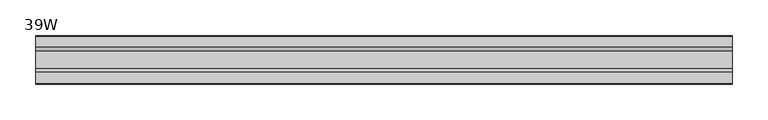
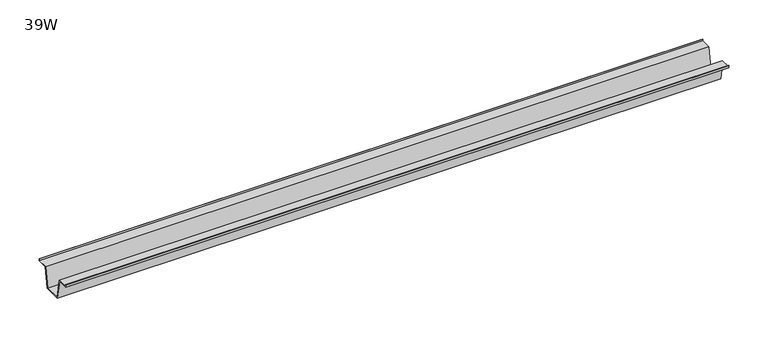
"""IFC4 building model written with IfcOpenShell, lengths in millimetres: furniture geometry, 39W."""

from ifc_helpers import new_model, si_unit, frame, origin, place, context, project, spatial, polyline, outline, extrude, source, transform, mapped, element, save


def furniture_39w_4fe7aef5(model_context):
    return source(origin(), model_context, "Body", "SweptSolid", [
        extrude(outline(polyline([(-22.9397721, 708.025), (-28.502372, 677.7990007), (-53.9023728, 677.7990007), (-59.4649727, 708.025), (-75.3653716, 708.025), (-75.3653716, 711.2), (-74.5716216, 711.2), (-74.5716216, 708.81875), (-58.8172994, 708.81875), (-53.2546995, 678.5927507), (-29.1500453, 678.5927507), (-23.5874454, 708.81875), (-7.8331232, 708.81875), (-7.8331232, 711.2), (-7.0393732, 711.2), (-7.0393732, 708.025), (-22.9397721, 708.025)])), frame((-490.22, 0.0, 0.0), z_axis=(1.0, 0.0, 0.0), x_axis=(0.0, 1.0, 0.0)), (0.0, 0.0, 1.0), 980.44),
    ])


if __name__ == "__main__":
    model = new_model("IFC4")
    model_context = context("Model", 3, world=origin())
    ifc_project = project(units=[si_unit("LENGTHUNIT", "METRE", prefix="MILLI")], contexts=[model_context])
    site = spatial("IfcSite", under=ifc_project)
    building = spatial("IfcBuilding", under=site)
    placement = place(None, origin())
    furniture_39w_shape = furniture_39w_4fe7aef5(model_context)
    element("IfcFurniture", 1, ObjectType="39W", at=placement, inside=building, context=model_context, shape_type="MappedRepresentation", body=[
        mapped(furniture_39w_shape, transform((0.0, 0.0, 0.0), x_axis=(1.0, 0.0, 0.0), y_axis=(0.0, 1.0, 0.0), z_axis=(0.0, 0.0, 1.0))),
    ])
    save(model, "model.ifc")
